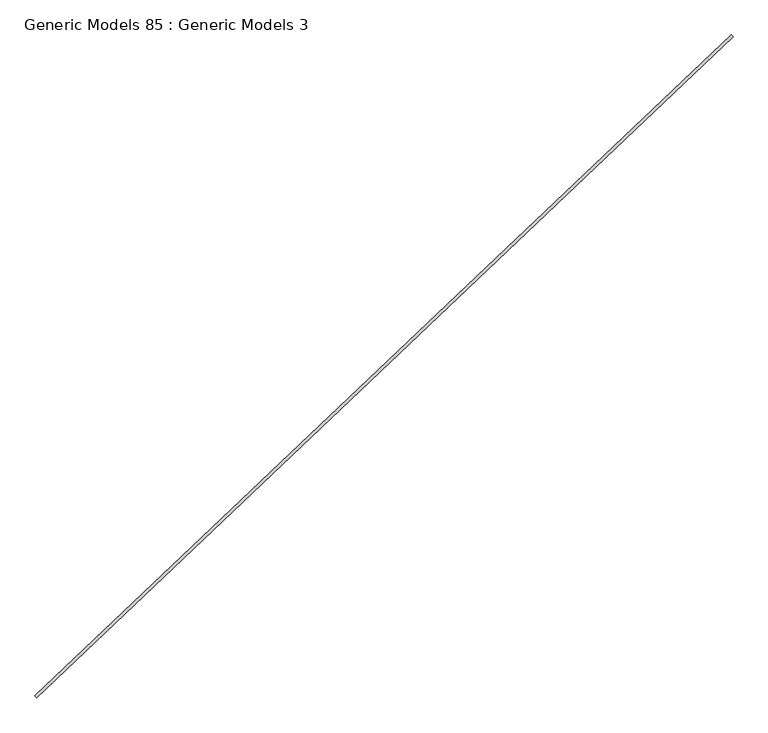
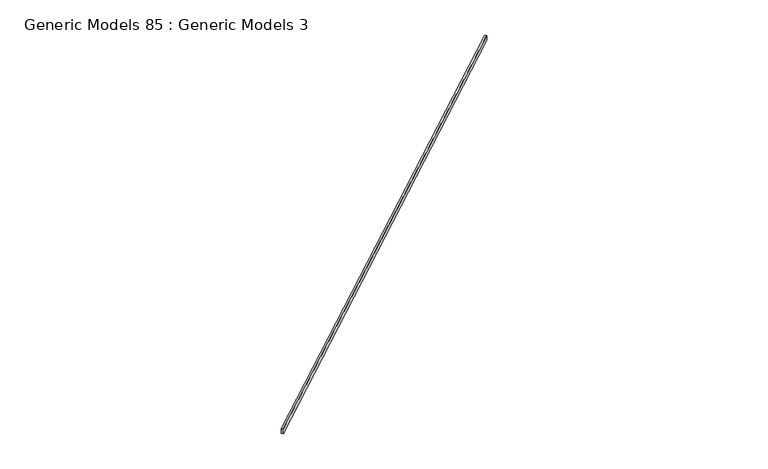
"""IFC4 building model written with IfcOpenShell, lengths in millimetres: proxy geometry, Generic Models 85 : Generic Models 3."""

from ifc_helpers import new_model, si_unit, frame, origin, place, context, project, spatial, polyline, outline, extrude, source, transform, mapped, element, save


def generic_models_85_generic_models_3_4e8b35ed(model_context):
    return source(origin(), model_context, "Body", "SweptSolid", [
        extrude(outline(polyline([(115982.4618916, 53039.3351956), (116017.430304, 53002.4861776), (103279.1853777, 40914.3431004), (103244.2169653, 40951.1921184), (115982.4618916, 53039.3351956)])), frame((0.0, 0.0, 17957.8), z_axis=(0.0, 0.0, 1.0), x_axis=(1.0, 0.0, 0.0)), (0.0, 0.0, 1.0), 139.7),
    ])


if __name__ == "__main__":
    model = new_model("IFC4")
    model_context = context("Model", 3, world=origin())
    ifc_project = project(units=[si_unit("LENGTHUNIT", "METRE", prefix="MILLI")], contexts=[model_context])
    site = spatial("IfcSite", under=ifc_project)
    building = spatial("IfcBuilding", under=site)
    placement = place(None, origin())
    generic_models_85_generic_models_3_shape = generic_models_85_generic_models_3_4e8b35ed(model_context)
    element("IfcBuildingElementProxy", 1, Name="Generic Models 85 : Generic Models 3", ObjectType="Generic Models 85 : Generic Models 3", at=placement, inside=building, context=model_context, shape_type="MappedRepresentation", body=[
        mapped(generic_models_85_generic_models_3_shape, transform((0.0, 0.0, 0.0), x_axis=(1.0, 0.0, 0.0), y_axis=(0.0, 1.0, 0.0), z_axis=(0.0, 0.0, 1.0))),
    ])
    save(model, "model.ifc")
